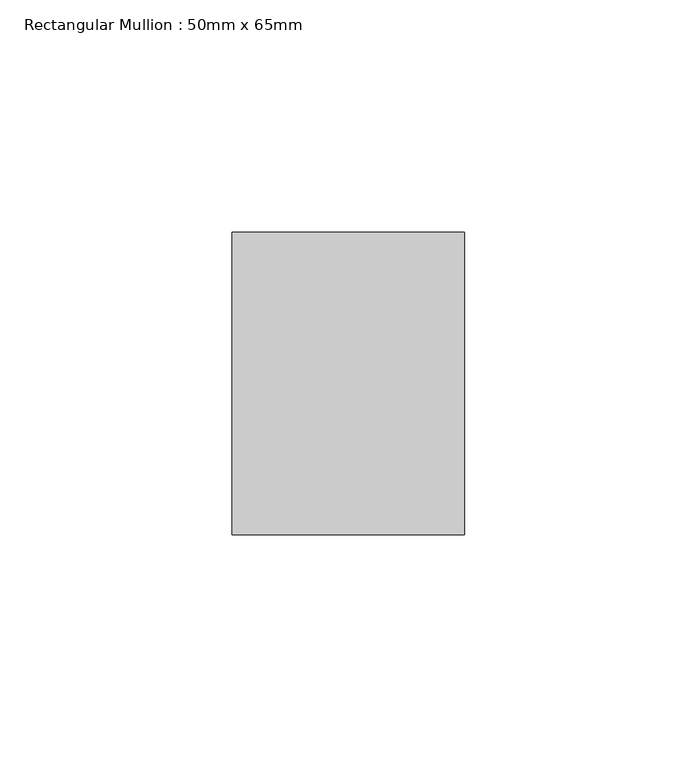
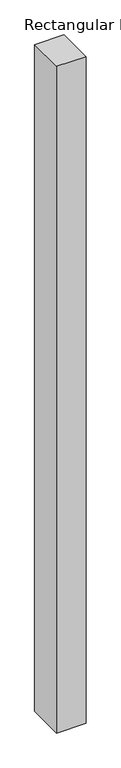
"""IFC4 building model written with IfcOpenShell, lengths in millimetres: member geometry, Rectangular Mullion : 50mm x 65mm."""

import ifcopenshell
import ifcopenshell.guid

model = None  # the IFC model being written
_history = None  # IfcOwnerHistory: only IFC2X3 demands one
_inside = {}  # id of a spatial element -> (the spatial element, [elements in it])
_under = {}  # id of a project, library or spatial element -> (it, [spatial elements below it])
_declared = {}  # id of a project -> (the project, [libraries it declares])
_typed = {}  # id of a type object -> (the type object, [elements of that type])
_made_of = {}  # id of a material, layer set ... -> (it, [elements and type objects made of it])


def new_model(schema):
    """Start an empty IFC model of exactly this schema.

    Asked for "IFC4X3", IfcOpenShell would pick the latest addendum, in which some entities
    have other attributes; the version numbers below select the first issue.
    IFC2X3 requires an IfcOwnerHistory on every rooted entity: one is made here for all.
    """
    global model, _history
    if schema == "IFC4X3":
        model = ifcopenshell.file(schema_version=(4, 3, 0, 0))
    else:
        model = ifcopenshell.file(schema=schema)
    _inside.clear()
    _under.clear()
    _declared.clear()
    _typed.clear()
    _made_of.clear()
    _history = None
    if model.schema == "IFC2X3":
        org = make("IfcOrganization", Name="unknown")
        user = make(
            "IfcPersonAndOrganization",
            ThePerson=make("IfcPerson", FamilyName="unknown"),
            TheOrganization=org,
        )
        app = make(
            "IfcApplication",
            ApplicationDeveloper=org,
            Version="unknown",
            ApplicationFullName="unknown",
            ApplicationIdentifier="unknown",
        )
        _history = make(
            "IfcOwnerHistory",
            OwningUser=user,
            OwningApplication=app,
            ChangeAction="ADDED",
            CreationDate=0,
        )
    return model


def make(cls, **values):
    """One entity of the class cls with the attributes given. An attribute that is None is left unset."""
    return model.create_entity(
        cls, **{name: value for name, value in values.items() if value is not None}
    )


def rooted(cls, **values):
    """An entity with a GlobalId (a new one), such as an element, a storey or a relation."""
    return make(cls, GlobalId=ifcopenshell.guid.new(), OwnerHistory=_history, **values)


def si_unit(unit_type, name, prefix=None):
    """IfcSIUnit, for example si_unit("LENGTHUNIT", "METRE", prefix="MILLI")."""
    return make("IfcSIUnit", UnitType=unit_type, Prefix=prefix, Name=name)


def assignment(units):
    """IfcUnitAssignment: the units of a project."""
    return None if units is None else make("IfcUnitAssignment", Units=units)


def point(xyz):
    """IfcCartesianPoint."""
    return None if xyz is None else make("IfcCartesianPoint", Coordinates=xyz)


def direction(xyz):
    """IfcDirection."""
    return None if xyz is None else make("IfcDirection", DirectionRatios=xyz)


def frame(location, z_axis=None, x_axis=None):
    """IfcAxis2Placement3D, a coordinate frame: its origin and axes. An axis left out is left unset."""
    return make(
        "IfcAxis2Placement3D",
        Location=point(location),
        Axis=direction(z_axis),
        RefDirection=direction(x_axis),
    )


def origin():
    """The frame at (0, 0, 0) with its axes left unset."""
    return frame((0.0, 0.0, 0.0))


def place(relative_to, where):
    """IfcLocalPlacement: puts the frame where relative to a parent placement (None: the world)."""
    return make(
        "IfcLocalPlacement", PlacementRelTo=relative_to, RelativePlacement=where
    )


def context(
    kind, dimensions, precision=None, world=None, true_north=None, identifier=None
):
    """IfcGeometricRepresentationContext, for example the 3D "Model" context."""
    return make(
        "IfcGeometricRepresentationContext",
        ContextIdentifier=identifier,
        ContextType=kind,
        CoordinateSpaceDimension=dimensions,
        Precision=precision,
        WorldCoordinateSystem=world,
        TrueNorth=true_north,
    )


def project(units=None, contexts=None):
    """IfcProject with its units and contexts."""
    return rooted(
        "IfcProject",
        Name="project",
        RepresentationContexts=contexts,
        UnitsInContext=assignment(units),
    )


def spatial(cls, under=None, at=None, **own):
    """A site, building, storey or space (cls), placed at a placement, below another one or the project."""
    s = rooted(cls, ObjectPlacement=at, **own)
    if under is not None:
        _under.setdefault(under.id(), (under, []))[1].append(s)
    return s


def polyline(points):
    """IfcPolyline through the points."""
    return make("IfcPolyline", Points=[point(p) for p in points])


def outline(outer, holes=None, kind="AREA"):
    """IfcArbitraryClosedProfileDef: a profile drawn as a closed curve; with holes, ...WithVoids."""
    if holes is None:
        return make("IfcArbitraryClosedProfileDef", ProfileType=kind, OuterCurve=outer)
    return make(
        "IfcArbitraryProfileDefWithVoids",
        ProfileType=kind,
        OuterCurve=outer,
        InnerCurves=holes,
    )


def extrude(swept, where, along, depth):
    """IfcExtrudedAreaSolid: the profile swept, set in the frame where, extruded along a direction by depth."""
    return make(
        "IfcExtrudedAreaSolid",
        SweptArea=swept,
        Position=where,
        ExtrudedDirection=direction(along),
        Depth=depth,
    )


def shape(context_of_items, identifier, shape_type, items):
    """IfcShapeRepresentation: the items that make up one representation, for example the "Body"."""
    return make(
        "IfcShapeRepresentation",
        ContextOfItems=context_of_items,
        RepresentationIdentifier=identifier,
        RepresentationType=shape_type,
        Items=items,
    )


def source(mapping_origin, context_of_items, identifier, shape_type, items):
    """IfcRepresentationMap: a shape defined once, which mapped items show again and again."""
    return make(
        "IfcRepresentationMap",
        MappingOrigin=mapping_origin,
        MappedRepresentation=shape(context_of_items, identifier, shape_type, items),
    )


def transform(
    local_origin,
    x_axis=None,
    y_axis=None,
    z_axis=None,
    scale=None,
    scale2=None,
    scale3=None,
    uniform=True,
):
    """IfcCartesianTransformationOperator3D, or its non-uniform kind. x_axis, y_axis, z_axis: its Axis1, 2, 3."""
    if uniform:
        return make(
            "IfcCartesianTransformationOperator3D",
            Axis1=direction(x_axis),
            Axis2=direction(y_axis),
            LocalOrigin=point(local_origin),
            Scale=scale,
            Axis3=direction(z_axis),
        )
    return make(
        "IfcCartesianTransformationOperator3DnonUniform",
        Axis1=direction(x_axis),
        Axis2=direction(y_axis),
        LocalOrigin=point(local_origin),
        Scale=scale,
        Axis3=direction(z_axis),
        Scale2=scale2,
        Scale3=scale3,
    )


def mapped(mapping_source, mapping_target):
    """IfcMappedItem: shows the shape of a source again, moved by a transform."""
    return make(
        "IfcMappedItem", MappingSource=mapping_source, MappingTarget=mapping_target
    )


def made_of(thing, what):
    """Note that an element or type object is made of a material, layer set ...; save() writes the relation."""
    if what is not None:
        _made_of.setdefault(what.id(), (what, []))[1].append(thing)
    return thing


def element(
    cls,
    number,
    at=None,
    inside=None,
    cuts=None,
    type_object=None,
    material=None,
    context=None,
    identifier="Body",
    shape_type=None,
    held_by="IfcProductDefinitionShape",
    body=None,
    shapes=None,
    **own,
):
    """One element of the class cls, such as IfcWall. Its Tag is "e" and its number.

    at: its placement. inside: the storey or other place that contains it. cuts: it is an
    opening in that element (IfcRelVoidsElement). A single representation is given by context,
    identifier, shape_type and body (its items); several are given by shapes. held_by: the class
    of the entity that holds the representations. save() writes the other relations.
    """
    e = rooted(cls, Tag="e%d" % number, ObjectPlacement=at, **own)
    if body is not None:
        shapes = [shape(context, identifier, shape_type, body)]
    if shapes is not None:
        e.Representation = make(held_by, Representations=shapes)
    if inside is not None:
        _inside.setdefault(inside.id(), (inside, []))[1].append(e)
    if cuts is not None:
        rooted(
            "IfcRelVoidsElement", RelatingBuildingElement=cuts, RelatedOpeningElement=e
        )
    if type_object is not None:
        _typed.setdefault(type_object.id(), (type_object, []))[1].append(e)
    return made_of(e, material)


def aggregate(whole, parts):
    """IfcRelAggregates: a whole, such as a stair, and the parts it consists of."""
    return rooted("IfcRelAggregates", RelatingObject=whole, RelatedObjects=parts)


def save(model, path):
    """Write the relations noted so far, then the file.

    IfcRelAggregates (storeys below a building ...), IfcRelContainedInSpatialStructure (elements
    in a storey), IfcRelDefinesByType, IfcRelAssociatesMaterial and IfcRelDeclares: one each for
    every whole, place, type object, material and project.
    """
    for whole, parts in _under.values():
        aggregate(whole, parts)
    for where, things in _inside.values():
        rooted(
            "IfcRelContainedInSpatialStructure",
            RelatedElements=things,
            RelatingStructure=where,
        )
    for kind, things in _typed.values():
        rooted("IfcRelDefinesByType", RelatedObjects=things, RelatingType=kind)
    for what, things in _made_of.values():
        rooted("IfcRelAssociatesMaterial", RelatedObjects=things, RelatingMaterial=what)
    for by, libraries in _declared.values():
        rooted("IfcRelDeclares", RelatingContext=by, RelatedDefinitions=libraries)
    model.write(path)


def rectangular_mullion_50mm_x_65mm_2e2f06ca(model_context):
    return source(origin(), model_context, "Body", "SweptSolid", [
        extrude(outline(polyline([(25.0, 32.5), (25.0, -32.5), (-25.0, -32.5), (-25.0, 32.5), (25.0, 32.5)])), frame((0.0, 0.0, -1205.1793318), z_axis=(0.0, 0.0, 1.0), x_axis=(1.0, 0.0, 0.0)), (0.0, 0.0, 1.0), 1205.1793318),
    ])


if __name__ == "__main__":
    model = new_model("IFC4")
    model_context = context("Model", 3, world=origin())
    ifc_project = project(units=[si_unit("LENGTHUNIT", "METRE", prefix="MILLI")], contexts=[model_context])
    site = spatial("IfcSite", under=ifc_project)
    building = spatial("IfcBuilding", under=site)
    placement = place(None, origin())
    rectangular_mullion_50mm_x_65mm_shape = rectangular_mullion_50mm_x_65mm_2e2f06ca(model_context)
    element("IfcMember", 1, ObjectType="Rectangular Mullion : 50mm x 65mm", at=placement, inside=building, context=model_context, shape_type="MappedRepresentation", body=[
        mapped(rectangular_mullion_50mm_x_65mm_shape, transform((0.0, 0.0, 0.0), x_axis=(1.0, 0.0, 0.0), y_axis=(0.0, 1.0, 0.0), z_axis=(0.0, 0.0, 1.0))),
    ])
    save(model, "model.ifc")
